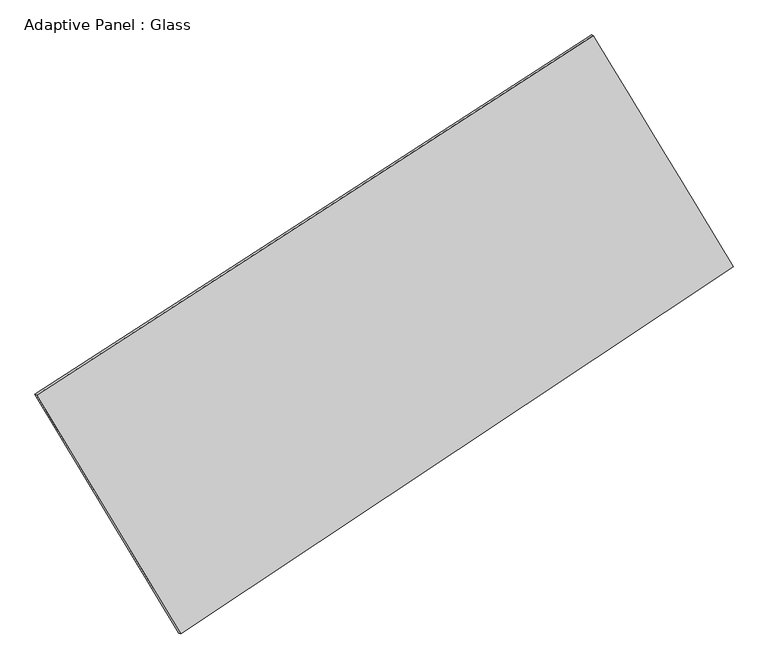
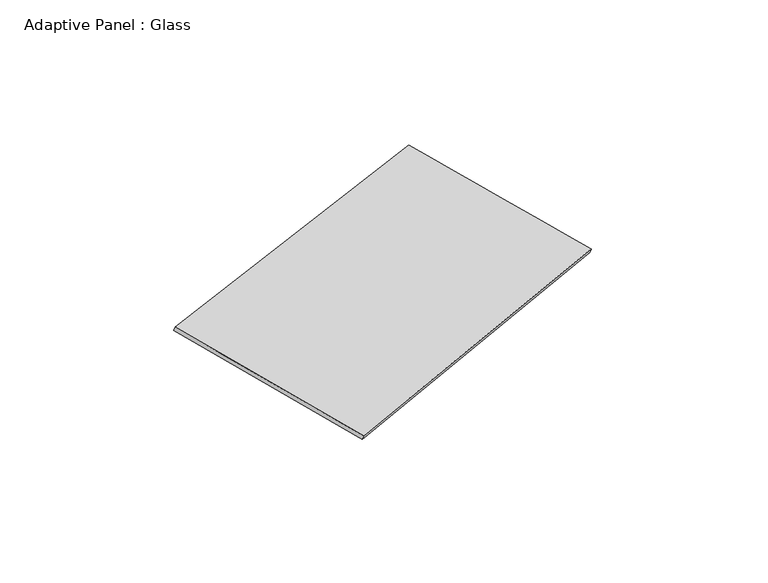
"""IFC4 building model written with IfcOpenShell, lengths in millimetres: plate geometry, Adaptive Panel : Glass."""

from ifc_helpers import new_model, si_unit, frame, origin, place, context, project, spatial, source, transform, mapped, element, save
from ifc_brep_helpers import plane_surface, spline_surface, advanced_brep


def adaptive_panel_glass_5f693fa0(model_context):
    return source(origin(), model_context, "Body", "AdvancedBrep", [
        advanced_brep(
        [(1159.0356525, 2492.0312662, 655.4143239), (-3698.1176805, -644.8350687, 1745.8241905), (-3683.4513246, -651.2151622, 1793.1970985), (1173.7020084, 2485.6511727, 702.787232), (-2442.1591546, -2725.6507941, 1067.7686245), (-2427.4927988, -2732.0308875, 1115.1415325), (2377.9506044, 478.2060237, 16.1153813), (2392.6169603, 471.8259303, 63.4882893)],
        [
            (0, 1),
            (1, 2),
            (2, 3),
            (3, 0),
            (1, 4),
            (4, 5),
            (5, 2),
            (4, 6),
            (6, 7),
            (7, 5),
            (6, 0),
            (3, 7),
        ],
        [
            plane_surface(frame((-1269.541014, 923.5980987, 1200.6192572), z_axis=(-0.4814647538671166, 0.8364792397256866, 0.2617139130646558), x_axis=(-0.8254920054169672, -0.5331225728390587, 0.1853193765425962))),
            plane_surface(frame((-3070.1384175, -1685.2429314, 1406.7964075), z_axis=(-0.8156097202375424, -0.550419853889295, 0.1783781620561365), x_axis=(0.4977466851699302, -0.8246443719563988, -0.26871899300753394))),
            plane_surface(frame((-32.1042751, -1123.7223852, 541.9420029), z_axis=(0.49321154032696196, -0.8287825119418782, -0.26431406392323553), x_axis=(0.819394327482372, 0.5446394861932531, -0.17877574267461632))),
            plane_surface(frame((1768.4931285, 1485.118645, 335.7648526), z_axis=(0.8156615563813051, 0.5503340893990756, -0.1784057608008154), x_axis=(-0.499708556878304, 0.8255914033471877, 0.26208813956725363))),
            spline_surface(1, 1, [[(-3683.4513246, -651.2151622, 1793.1970985), (1173.7020084, 2485.6511727, 702.787232)], [(-2427.4927988, -2732.0308875, 1115.1415325), (2392.6169603, 471.8259303, 63.4882893)]], [2, 2], [2, 2], [0.0, 1.0], [0.0, 1.0]),
            spline_surface(1, 1, [[(2377.9506044, 478.2060237, 16.1153813), (1159.0356525, 2492.0312662, 655.4143239)], [(-2442.1591546, -2725.6507941, 1067.7686245), (-3698.1176805, -644.8350687, 1745.8241905)]], [2, 2], [2, 2], [0.0, 1.0], [0.0, 1.0]),
        ],
        [
            (0, [[1, 2, 3, 4]]),
            (1, [[5, 6, 7, -2]]),
            (2, [[8, 9, 10, -6]]),
            (3, [[11, -4, 12, -9]]),
            (4, [[-3, -7, -10, -12]]),
            (5, [[-11, -8, -5, -1]]),
        ],
    ),
    ])


if __name__ == "__main__":
    model = new_model("IFC4")
    model_context = context("Model", 3, world=origin())
    ifc_project = project(units=[si_unit("LENGTHUNIT", "METRE", prefix="MILLI")], contexts=[model_context])
    site = spatial("IfcSite", under=ifc_project)
    building = spatial("IfcBuilding", under=site)
    placement = place(None, origin())
    adaptive_panel_glass_shape = adaptive_panel_glass_5f693fa0(model_context)
    element("IfcPlate", 1, ObjectType="Adaptive Panel : Glass", at=placement, inside=building, context=model_context, shape_type="MappedRepresentation", body=[
        mapped(adaptive_panel_glass_shape, transform((0.0, 0.0, 0.0), x_axis=(1.0, 0.0, 0.0), y_axis=(0.0, 1.0, 0.0), z_axis=(0.0, 0.0, 1.0))),
    ])
    save(model, "model.ifc")
